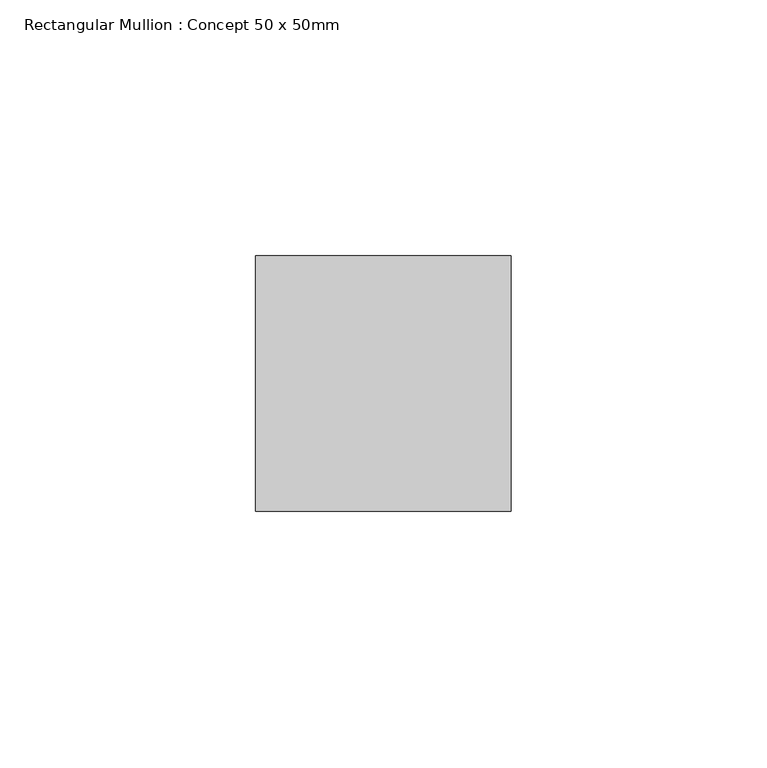
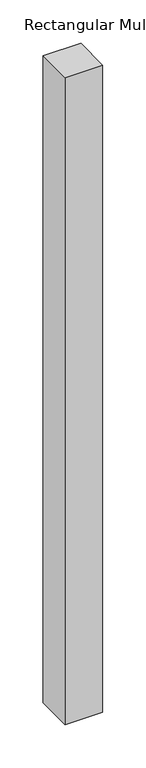
"""IFC4 building model written with IfcOpenShell, lengths in millimetres: member geometry, Rectangular Mullion : Concept 50 x 50mm."""

from ifc_helpers import new_model, si_unit, frame, origin, place, context, project, spatial, polyline, outline, extrude, source, transform, mapped, element, save


def rectangular_mullion_concept_50_x_50mm_6419b16b(model_context):
    return source(origin(), model_context, "Body", "SweptSolid", [
        extrude(outline(polyline([(0.0, 50.0), (0.0, 0.0), (-50.0, 0.0), (-50.0, 50.0), (0.0, 50.0)])), frame((0.0, 0.0, -908.75), z_axis=(0.0, 0.0, 1.0), x_axis=(1.0, 0.0, 0.0)), (0.0, 0.0, 1.0), 908.75),
    ])


if __name__ == "__main__":
    model = new_model("IFC4")
    model_context = context("Model", 3, world=origin())
    ifc_project = project(units=[si_unit("LENGTHUNIT", "METRE", prefix="MILLI")], contexts=[model_context])
    site = spatial("IfcSite", under=ifc_project)
    building = spatial("IfcBuilding", under=site)
    placement = place(None, origin())
    rectangular_mullion_concept_50_x_50mm_shape = rectangular_mullion_concept_50_x_50mm_6419b16b(model_context)
    element("IfcMember", 1, ObjectType="Rectangular Mullion : Concept 50 x 50mm", at=placement, inside=building, context=model_context, shape_type="MappedRepresentation", body=[
        mapped(rectangular_mullion_concept_50_x_50mm_shape, transform((0.0, 0.0, 0.0), x_axis=(1.0, 0.0, 0.0), y_axis=(0.0, 1.0, 0.0), z_axis=(0.0, 0.0, 1.0))),
    ])
    save(model, "model.ifc")
